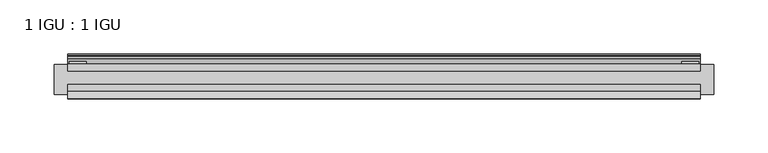
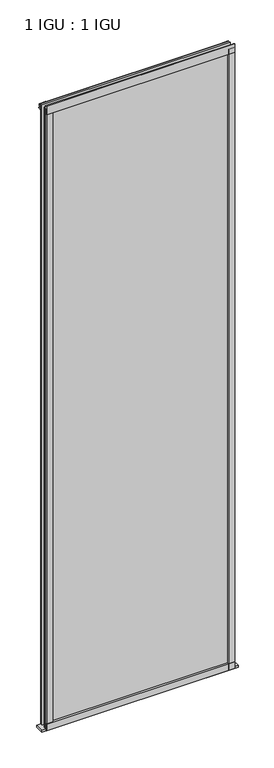
"""IFC4 building model written with IfcOpenShell, lengths in millimetres: plate geometry, 1 IGU : 1 IGU."""

from ifc_helpers import new_model, si_unit, point, frame, frame_2d, origin, place, context, project, spatial, polyline, circle_curve, trimmed, segment, composite_curve, outline, extrude, source, transform, mapped, element, save


def plate_1_igu_1_igu_fe798f6f(model_context):
    return source(origin(), model_context, "Body", "SweptSolid", [
        extrude(outline(polyline([(292.1, 0.0021347), (292.1, -6.2992), (-292.1, -6.2992), (-292.1, 0.0021347), (292.1, 0.0021347)])), frame((0.0, 0.0, -19.05), z_axis=(0.0, 0.0, 1.0), x_axis=(1.0, 0.0, 0.0)), (0.0, 0.0, 1.0), 2036.7498001),
        extrude(outline(polyline([(-292.1, -19.0986653), (292.1, -19.0986653), (292.1, -25.3978653), (-292.1, -25.3978653), (-292.1, -19.0986653)])), frame((0.0, 0.0, -19.05), z_axis=(0.0, 0.0, 1.0), x_axis=(1.0, 0.0, 0.0)), (0.0, 0.0, 1.0), 2036.7498001),
        extrude(outline(composite_curve([segment(trimmed(circle_curve(frame_2d((10.9021792, -22.6833935)), 11.4916952), [point((0.0, -19.05))], [point((-0.2638007, -25.4))], True, "CARTESIAN"), True, "CONTINUOUS"), segment(polyline([(-0.2638007, -25.4), (-27.9952564, -25.4), (-27.9952564, -19.05), (0.0, -19.05)]), True, "CONTINUOUS")], self_intersect=False)), frame((-304.8, 0.0, 0.0), z_axis=(1.0, 0.0, 0.0), x_axis=(0.0, 1.0, 0.0)), (0.0, 0.0, 1.0), 609.6),
        extrude(outline(composite_curve([segment(polyline([(-31.75, 0.0), (-25.4, 0.0), (-25.4, -22.225)]), True, "CONTINUOUS"), segment(trimmed(circle_curve(frame_2d((-28.575, -28.9113452)), 7.4018806), [point((-25.4, -22.225))], [point((-31.75, -22.225))], True, "CARTESIAN"), True, "CONTINUOUS"), segment(polyline([(-31.75, -22.225), (-31.75, 0.0)]), True, "CONTINUOUS")], self_intersect=False)), frame((-292.1, 0.0, 0.0), z_axis=(1.0, 0.0, 0.0), x_axis=(0.0, 1.0, 0.0)), (0.0, 0.0, 1.0), 584.2),
        extrude(outline(composite_curve([segment(trimmed(circle_curve(frame_2d((-23.3689302, 2041.8664901)), 40.3187601), [point((0.0, 2009.0108131))], [point((4.9746073, 2013.1916528))], True, "CARTESIAN"), True, "CONTINUOUS"), segment(trimmed(circle_curve(frame_2d((5.8674, 2012.2884246)), 1.27), [point((4.9746073, 2013.1916528))], [point((7.1374, 2012.2884246))], False, "CARTESIAN"), True, "CONTINUOUS"), segment(polyline([(7.1374, 2012.2884246), (7.1374, 2007.8876169), (7.7309478, 2005.6724663), (6.35, 2005.4379789), (6.35, 2000.2500001), (9.3980339, 2000.2500001), (9.3980339, 1998.8684051)]), True, "CONTINUOUS"), segment(trimmed(circle_curve(frame_2d((13.6593785, 1967.8551528)), 31.3046461), [point((9.3980339, 1998.8684051))], [point((0.0, 1996.0225498))], True, "CARTESIAN"), True, "CONTINUOUS"), segment(polyline([(0.0, 1996.0225498), (0.0, 2009.0108131)]), True, "CONTINUOUS")], self_intersect=False)), frame((-292.1, 0.0, 0.0), z_axis=(1.0, 0.0, 0.0), x_axis=(0.0, 1.0, 0.0)), (0.0, 0.0, 1.0), 584.2),
        extrude(outline(composite_curve([segment(polyline([(-25.4, 2025.6500001), (-25.4, 2000.2500001), (-31.75, 2000.2500001), (-31.75, 2028.4228974)]), True, "CONTINUOUS"), segment(trimmed(circle_curve(frame_2d((-24.1401272, 2037.1924116)), 11.6109665), [point((-31.75, 2028.4228974))], [point((-25.4, 2025.6500001))], True, "CARTESIAN"), True, "CONTINUOUS")], self_intersect=False)), frame((-292.1, 0.0, 0.0), z_axis=(1.0, 0.0, 0.0), x_axis=(0.0, 1.0, 0.0)), (0.0, 0.0, 1.0), 584.2),
        extrude(outline(composite_curve([segment(polyline([(273.05, -25.4), (292.1, -25.4)]), True, "CONTINUOUS"), segment(trimmed(circle_curve(frame_2d((301.5661507, -28.575)), 9.9844196), [point((292.1, -25.4))], [point((292.1, -31.75))], True, "CARTESIAN"), True, "CONTINUOUS"), segment(polyline([(292.1, -31.75), (273.05, -31.75), (273.05, -25.4)]), True, "CONTINUOUS")], self_intersect=False)), frame((0.0, 0.0, -19.05), z_axis=(0.0, 0.0, 1.0), x_axis=(1.0, 0.0, 0.0)), (0.0, 0.0, 1.0), 2036.7498001),
        extrude(outline(polyline([(290.8935, 2.2860088), (290.8935, 0.0021347), (275.0185, 0.0021347), (275.0185, 2.2860088), (290.8935, 2.2860088)])), frame((0.0, 0.0, -19.05), z_axis=(0.0, 0.0, 1.0), x_axis=(1.0, 0.0, 0.0)), (0.0, 0.0, 1.0), 2036.7498001),
        extrude(outline(composite_curve([segment(trimmed(circle_curve(frame_2d((-301.5661507, -28.575)), 9.9844196), [point((-292.1, -31.75))], [point((-292.1, -25.4))], True, "CARTESIAN"), True, "CONTINUOUS"), segment(polyline([(-292.1, -25.4), (-273.05, -25.4), (-273.05, -31.75), (-292.1, -31.75)]), True, "CONTINUOUS")], self_intersect=False)), frame((0.0, 0.0, -19.05), z_axis=(0.0, 0.0, 1.0), x_axis=(1.0, 0.0, 0.0)), (0.0, 0.0, 1.0), 2036.7498001),
        extrude(outline(polyline([(-290.8935, 0.0), (-290.8935, 2.286), (-275.0185, 2.286), (-275.0185, 0.0), (-290.8935, 0.0)])), frame((0.0, 0.0, -19.05), z_axis=(0.0, 0.0, 1.0), x_axis=(1.0, 0.0, 0.0)), (0.0, 0.0, 1.0), 2036.7498001),
    ])


if __name__ == "__main__":
    model = new_model("IFC4")
    model_context = context("Model", 3, world=origin())
    ifc_project = project(units=[si_unit("LENGTHUNIT", "METRE", prefix="MILLI")], contexts=[model_context])
    site = spatial("IfcSite", under=ifc_project)
    building = spatial("IfcBuilding", under=site)
    placement = place(None, origin())
    plate_1_igu_1_igu_shape = plate_1_igu_1_igu_fe798f6f(model_context)
    element("IfcPlate", 1, ObjectType="1 IGU : 1 IGU", at=placement, inside=building, context=model_context, shape_type="MappedRepresentation", body=[
        mapped(plate_1_igu_1_igu_shape, transform((0.0, 0.0, 0.0), x_axis=(1.0, 0.0, 0.0), y_axis=(0.0, 1.0, 0.0), z_axis=(0.0, 0.0, 1.0))),
    ])
    save(model, "model.ifc")
